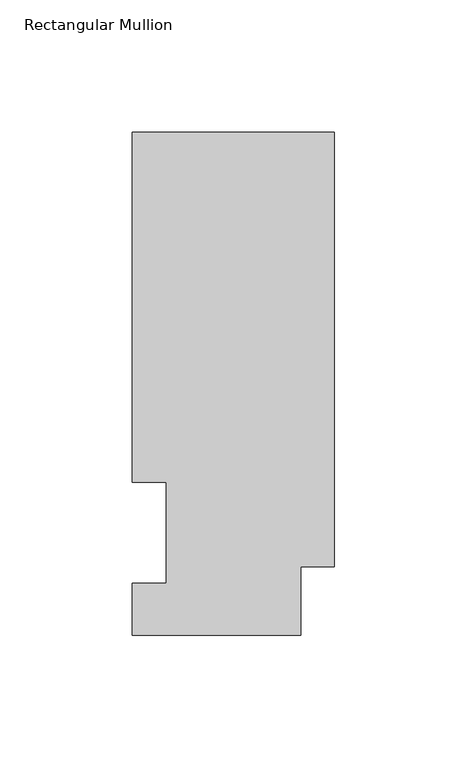
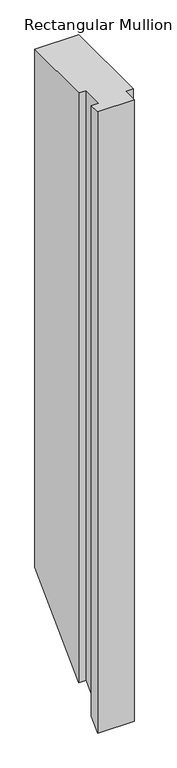
"""IFC4 building model written with IfcOpenShell, lengths in millimetres: member geometry, Rectangular Mullion."""

from ifc_helpers import new_model, si_unit, origin, place, context, project, spatial, faceted_brep, source, transform, mapped, element, save


def rectangular_mullion_155341ad(model_context):
    return source(origin(), model_context, "Body", "Brep", [
        faceted_brep([(0.0, 189.8022938, 0.0), (-76.2, 189.8022937, 0.0), (-76.2, 57.6460937, 0.0), (-63.5, 57.6460937, 0.0), (-63.5, 19.5460938, 0.0), (-76.2, 19.5460938, 0.0), (-76.2, 0.0134938, 0.0), (-12.7, 0.0134938, 0.0), (-12.7, 25.8955957, 0.0), (0.0, 25.8955957, 0.0), (0.0, 189.8022938, -953.2112), (-76.2, 189.8022937, -953.2112), (-76.2, 57.6460937, -1085.3674), (-63.5, 57.6460937, -1085.3674), (-63.5, 19.5460938, -1123.4674), (-76.2, 19.5460938, -1123.4674), (-76.2, 0.0134938, -1143.0), (-12.7, 0.0134938, -1143.0), (-12.7, 25.8955957, -1117.117898), (0.0, 25.8955957, -1117.117898)], [[[0, 1, 2, 3, 4, 5, 6, 7, 8, 9]], [[1, 0, 10, 11]], [[2, 1, 11, 12]], [[3, 2, 12, 13]], [[4, 3, 13, 14]], [[5, 4, 14, 15]], [[6, 5, 15, 16]], [[7, 6, 16, 17]], [[8, 7, 17, 18]], [[9, 8, 18, 19]], [[0, 9, 19, 10]], [[10, 19, 18, 17, 16, 15, 14, 13, 12, 11]]]),
    ])


if __name__ == "__main__":
    model = new_model("IFC4")
    model_context = context("Model", 3, world=origin())
    ifc_project = project(units=[si_unit("LENGTHUNIT", "METRE", prefix="MILLI")], contexts=[model_context])
    site = spatial("IfcSite", under=ifc_project)
    building = spatial("IfcBuilding", under=site)
    placement = place(None, origin())
    rectangular_mullion_shape = rectangular_mullion_155341ad(model_context)
    element("IfcMember", 1, ObjectType="Rectangular Mullion", at=placement, inside=building, context=model_context, shape_type="MappedRepresentation", body=[
        mapped(rectangular_mullion_shape, transform((0.0, 0.0, 0.0), x_axis=(1.0, 0.0, 0.0), y_axis=(0.0, 1.0, 0.0), z_axis=(0.0, 0.0, 1.0))),
    ])
    save(model, "model.ifc")
